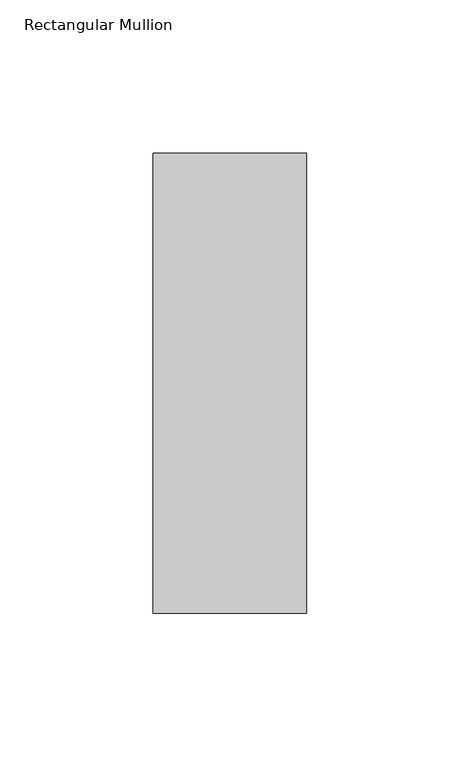
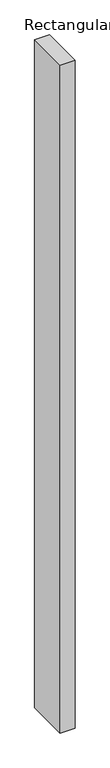
"""IFC4 building model written with IfcOpenShell, lengths in millimetres: member geometry, Rectangular Mullion."""

from ifc_helpers import new_model, si_unit, frame, origin, place, context, project, spatial, polyline, outline, extrude, source, transform, mapped, element, save


def rectangular_mullion_662c37b1(model_context):
    return source(origin(), model_context, "Body", "SweptSolid", [
        extrude(outline(polyline([(0.0, 75.0), (0.0, -75.0), (-50.0, -75.0), (-50.0, 75.0), (0.0, 75.0)])), frame((0.0, 0.0, -2400.0), z_axis=(0.0, 0.0, 1.0), x_axis=(1.0, 0.0, 0.0)), (0.0, 0.0, 1.0), 2400.0),
    ])


if __name__ == "__main__":
    model = new_model("IFC4")
    model_context = context("Model", 3, world=origin())
    ifc_project = project(units=[si_unit("LENGTHUNIT", "METRE", prefix="MILLI")], contexts=[model_context])
    site = spatial("IfcSite", under=ifc_project)
    building = spatial("IfcBuilding", under=site)
    placement = place(None, origin())
    rectangular_mullion_shape = rectangular_mullion_662c37b1(model_context)
    element("IfcMember", 1, ObjectType="Rectangular Mullion", at=placement, inside=building, context=model_context, shape_type="MappedRepresentation", body=[
        mapped(rectangular_mullion_shape, transform((0.0, 0.0, 0.0), x_axis=(1.0, 0.0, 0.0), y_axis=(0.0, 1.0, 0.0), z_axis=(0.0, 0.0, 1.0))),
    ])
    save(model, "model.ifc")
